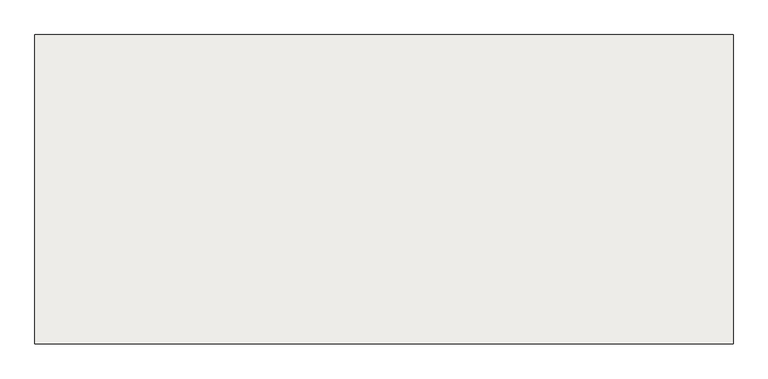
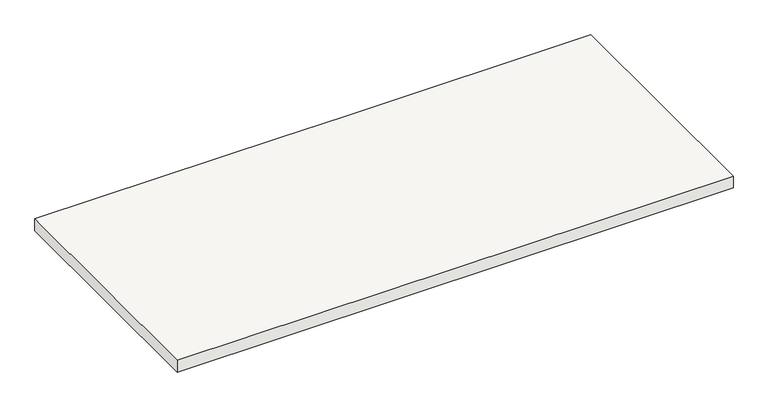
"""IFC4 building model written with IfcOpenShell, lengths in millimetres: slab geometry."""

from ifc_helpers import new_model, si_unit, frame, origin, place, context, project, spatial, polyline, outline, extrude, source, transform, mapped, element, save


def slab_22ccc3dd(model_context):
    return source(origin(), model_context, "Body", "SweptSolid", [
        extrude(outline(polyline([(-5398.3264597, 592.9977365), (-5142.620157, 592.9977365), (-4142.620157, 592.9977365), (-4142.620157, -407.0022635), (-6398.3264597, -407.0022635), (-6398.3264597, 592.9977365), (-5398.3264597, 592.9977365)])), frame((0.0, 0.0, 1075.0), z_axis=(0.0, 0.0, 1.0), x_axis=(1.0, 0.0, 0.0)), (0.0, 0.0, 1.0), 50.0),
    ])


if __name__ == "__main__":
    model = new_model("IFC4")
    model_context = context("Model", 3, world=origin())
    ifc_project = project(units=[si_unit("LENGTHUNIT", "METRE", prefix="MILLI")], contexts=[model_context])
    site = spatial("IfcSite", under=ifc_project)
    building = spatial("IfcBuilding", under=site)
    placement = place(None, origin())
    slab_shape = slab_22ccc3dd(model_context)
    element("IfcSlab", 1, at=placement, inside=building, context=model_context, shape_type="MappedRepresentation", body=[
        mapped(slab_shape, transform((0.0, 0.0, 0.0), x_axis=(1.0, 0.0, 0.0), y_axis=(0.0, 1.0, 0.0), z_axis=(0.0, 0.0, 1.0))),
    ])
    save(model, "model.ifc")
